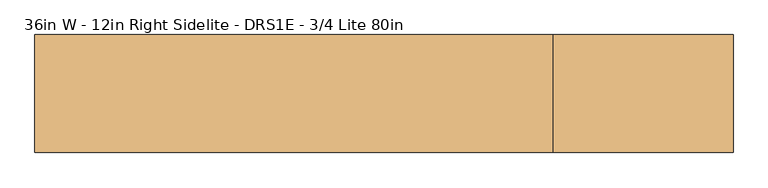
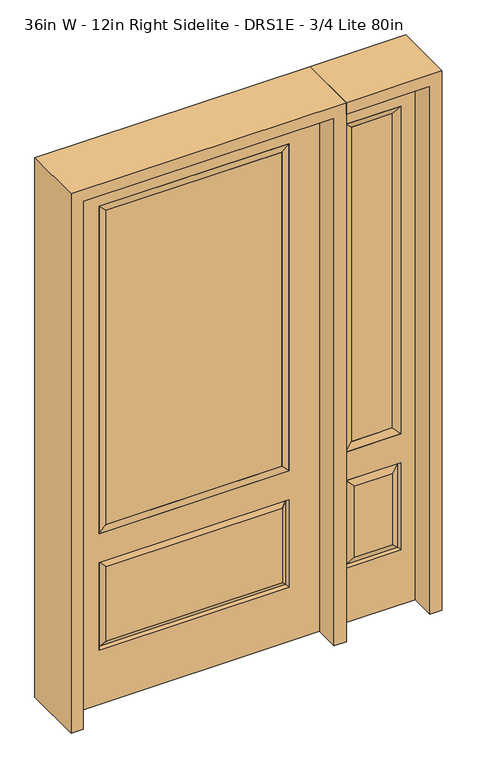
"""IFC4 building model written with IfcOpenShell, lengths in millimetres: door geometry, 36in W - 12in Right Sidelite - DRS1E - 3/4 Lite 80in."""

from ifc_helpers import new_model, si_unit, frame, origin, place, context, project, spatial, polyline, outline, extrude, faceted_brep, source, transform, mapped, element, save


def door_36in_w_12in_right_sidelite_drs1e_3_4_lite_80in_9755e6e3(model_context):
    return source(origin(), model_context, "Body", "SolidModel", [
        faceted_brep([(501.65, -22.225, 0.0), (806.45, -22.225, 0.0), (806.45, -22.225, 2032.0), (501.65, -22.225, 2032.0), (754.38, -22.225, 1919.224), (754.38, -22.225, 657.098), (553.72, -22.225, 657.098), (553.72, -22.225, 1919.224), (754.38, -22.225, 209.55), (553.72, -22.225, 209.55), (553.72, -22.225, 546.1), (754.38, -22.225, 546.1), (585.4351001, -22.225, 241.2651001), (722.6648999, -22.225, 241.2651001), (722.6648999, -22.225, 514.3848999), (585.4351001, -22.225, 514.3848999), (501.65, 22.225, 0.0), (501.65, 22.225, 2032.0), (806.45, 22.225, 2032.0), (806.45, 22.225, 0.0), (754.38, 22.225, 1919.224), (553.72, 22.225, 1919.224), (553.72, 22.225, 657.098), (754.38, 22.225, 657.098), (553.72, 22.225, 209.55), (754.38, 22.225, 209.55), (754.38, 22.225, 546.1), (553.72, 22.225, 546.1), (722.6648999, 22.225, 241.2651001), (585.4351001, 22.225, 241.2651001), (585.4351001, 22.225, 514.3848999), (722.6648999, 22.225, 514.3848999), (747.2711499, 12.7912373, 216.6588501), (560.8288501, 12.7912373, 216.6588501), (560.8288501, 12.7912373, 538.9911499), (747.2711499, 12.7912373, 538.9911499), (560.8288501, -12.7912373, 216.6588501), (747.2711499, -12.7912373, 216.6588501), (560.8288501, -12.7912373, 538.9911499), (747.2711499, -12.7912373, 538.9911499)], [[[0, 1, 2, 3], [4, 5, 6, 7], [8, 9, 10, 11]], [[12, 13, 14, 15]], [[16, 17, 18, 19], [20, 21, 22, 23], [24, 25, 26, 27]], [[28, 29, 30, 31]], [[1, 0, 16, 19]], [[2, 1, 19, 18]], [[3, 2, 18, 17]], [[0, 3, 17, 16]], [[5, 4, 20, 23]], [[6, 5, 23, 22]], [[7, 6, 22, 21]], [[4, 7, 21, 20]], [[32, 33, 29, 28]], [[33, 32, 25, 24]], [[29, 33, 34, 30]], [[33, 24, 27, 34]], [[30, 34, 35, 31]], [[34, 27, 26, 35]], [[32, 28, 31, 35]], [[25, 32, 35, 26]], [[12, 36, 37, 13]], [[37, 36, 9, 8]], [[36, 12, 15, 38]], [[9, 36, 38, 10]], [[38, 15, 14, 39]], [[10, 38, 39, 11]], [[13, 37, 39, 14]], [[37, 8, 11, 39]]]),
        faceted_brep([(553.72, 22.225, 1919.224), (553.72, -22.225, 1919.224), (754.38, -22.225, 1919.224), (754.38, 22.225, 1919.224), (579.12, 12.7, 1893.824), (728.98, 12.7, 1893.824), (579.12, -12.7, 1893.824), (728.98, -12.7, 1893.824), (754.38, -22.225, 657.098), (754.38, 22.225, 657.098), (728.98, 12.7, 682.498), (728.98, -12.7, 682.498), (553.72, -22.225, 657.098), (553.72, 22.225, 657.098), (579.12, 12.7, 682.498), (579.12, -12.7, 682.498)], [[[0, 1, 2, 3]], [[4, 0, 3, 5]], [[6, 4, 5, 7]], [[1, 6, 7, 2]], [[3, 2, 8, 9]], [[5, 3, 9, 10]], [[7, 5, 10, 11]], [[2, 7, 11, 8]], [[9, 8, 12, 13]], [[10, 9, 13, 14]], [[11, 10, 14, 15]], [[8, 11, 15, 12]], [[13, 12, 1, 0]], [[14, 13, 0, 4]], [[15, 14, 4, 6]], [[12, 15, 6, 1]]]),
        extrude(outline(polyline([(728.98, -12.7), (579.12, -12.7), (579.12, 12.7), (728.98, 12.7), (728.98, -12.7)])), frame((0.0, 0.0, 682.498), z_axis=(0.0, 0.0, 1.0), x_axis=(1.0, 0.0, 0.0)), (0.0, 0.0, 1.0), 1211.326),
        faceted_brep([(-338.9661499, -12.7912373, 216.6588501), (338.9661499, -12.7912373, 216.6588501), (321.46875, -22.225, 234.15625), (-321.46875, -22.225, 234.15625), (-346.075, -22.225, 209.55), (346.075, -22.225, 209.55), (-338.9661499, -12.7912373, 538.9911499), (-346.075, -22.225, 546.1), (321.46875, -22.225, 521.49375), (-321.46875, -22.225, 521.49375), (457.2, -22.225, 2032.0), (-457.2, -22.225, 2032.0), (-457.2, -22.225, 0.0), (457.2, -22.225, 0.0), (346.075, -22.225, 546.1), (346.075, -22.225, 1917.7), (346.075, -22.225, 657.098), (-346.075, -22.225, 657.098), (-346.075, -22.225, 1917.7), (338.9661499, -12.7912373, 538.9911499), (-457.2, 22.225, 2032.0), (-457.2, 22.225, 0.0), (457.2, 22.225, 0.0), (457.2, 22.225, 2032.0), (346.075, 22.225, 1917.7), (346.075, 22.225, 657.098), (-346.075, 22.225, 657.098), (-346.075, 22.225, 1917.7), (-346.075, 22.225, 209.55), (346.075, 22.225, 209.55), (346.075, 22.225, 546.1), (-346.075, 22.225, 546.1), (321.46875, 22.225, 234.15625), (-321.46875, 22.225, 234.15625), (-321.46875, 22.225, 521.49375), (321.46875, 22.225, 521.49375), (-338.9661499, 12.7912373, 216.6588501), (338.9661499, 12.7912373, 216.6588501), (338.9661499, 12.7912373, 538.9911499), (-338.9661499, 12.7912373, 538.9911499)], [[[0, 1, 2, 3]], [[1, 0, 4, 5]], [[4, 0, 6, 7]], [[3, 2, 8, 9]], [[10, 11, 12, 13], [5, 4, 7, 14], [15, 16, 17, 18]], [[1, 5, 14, 19]], [[2, 1, 19, 8]], [[0, 3, 9, 6]], [[7, 6, 19, 14]], [[6, 9, 8, 19]], [[12, 11, 20, 21]], [[13, 12, 21, 22]], [[10, 13, 22, 23]], [[16, 15, 24, 25]], [[17, 16, 25, 26]], [[18, 17, 26, 27]], [[23, 22, 21, 20], [28, 29, 30, 31], [24, 27, 26, 25]], [[32, 33, 34, 35]], [[28, 36, 37, 29]], [[29, 37, 38, 30]], [[39, 31, 30, 38]], [[36, 28, 31, 39]], [[37, 36, 33, 32]], [[33, 36, 39, 34]], [[34, 39, 38, 35]], [[37, 32, 35, 38]], [[11, 10, 23, 20]], [[15, 18, 27, 24]]]),
        faceted_brep([(-346.075, -22.225, 1917.7), (-346.075, 22.225, 1917.7), (-346.075, 22.225, 657.098), (-346.075, -22.225, 657.098), (346.075, 22.225, 657.098), (346.075, -22.225, 657.098), (-320.675, 5.08, 682.498), (320.675, 5.08, 682.498), (346.075, 22.225, 1917.7), (346.075, -22.225, 1917.7), (-320.675, -20.32, 682.498), (320.675, -20.32, 682.498), (-320.675, -20.32, 1892.3), (320.675, -20.32, 1892.3), (-320.675, 5.08, 1892.3), (320.675, 5.08, 1892.3)], [[[0, 1, 2, 3]], [[3, 2, 4, 5]], [[2, 6, 7, 4]], [[5, 4, 8, 9]], [[10, 3, 5, 11]], [[12, 0, 3, 10]], [[11, 5, 9, 13]], [[6, 10, 11, 7]], [[14, 12, 10, 6]], [[7, 11, 13, 15]], [[1, 14, 6, 2]], [[4, 7, 15, 8]], [[9, 8, 1, 0]], [[13, 9, 0, 12]], [[15, 13, 12, 14]], [[8, 15, 14, 1]]]),
        extrude(outline(polyline([(320.675, -20.32), (-320.675, -20.32), (-320.675, 5.08), (320.675, 5.08), (320.675, -20.32)])), frame((0.0, 0.0, 682.498), z_axis=(0.0, 0.0, 1.0), x_axis=(1.0, 0.0, 0.0)), (0.0, 0.0, 1.0), 1209.802),
        extrude(outline(polyline([(2076.45, -501.65), (0.0, -501.65), (0.0, -457.2), (2032.0, -457.2), (2032.0, 457.2), (0.0, 457.2), (0.0, 501.65), (2076.45, 501.65), (2076.45, -501.65)])), frame((0.0, -114.3, 0.0), z_axis=(0.0, 1.0, 0.0), x_axis=(0.0, 0.0, 1.0)), (0.0, 0.0, 1.0), 228.6),
        extrude(outline(polyline([(0.0, 806.45), (0.0, 850.9), (2076.45, 850.9), (2076.45, 501.65), (2032.0, 501.65), (2032.0, 806.45), (0.0, 806.45)])), frame((0.0, -114.3, 0.0), z_axis=(0.0, 1.0, 0.0), x_axis=(0.0, 0.0, 1.0)), (0.0, 0.0, 1.0), 228.6),
    ])


if __name__ == "__main__":
    model = new_model("IFC4")
    model_context = context("Model", 3, world=origin())
    ifc_project = project(units=[si_unit("LENGTHUNIT", "METRE", prefix="MILLI")], contexts=[model_context])
    site = spatial("IfcSite", under=ifc_project)
    building = spatial("IfcBuilding", under=site)
    placement = place(None, origin())
    door_36in_w_12in_right_sidelite_drs1e_3_4_lite_80in_shape = door_36in_w_12in_right_sidelite_drs1e_3_4_lite_80in_9755e6e3(model_context)
    element("IfcDoor", 1, ObjectType="36in W - 12in Right Sidelite - DRS1E - 3/4 Lite 80in", at=placement, inside=building, context=model_context, shape_type="MappedRepresentation", body=[
        mapped(door_36in_w_12in_right_sidelite_drs1e_3_4_lite_80in_shape, transform((0.0, 0.0, 0.0), x_axis=(1.0, 0.0, 0.0), y_axis=(0.0, 1.0, 0.0), z_axis=(0.0, 0.0, 1.0))),
    ])
    save(model, "model.ifc")
